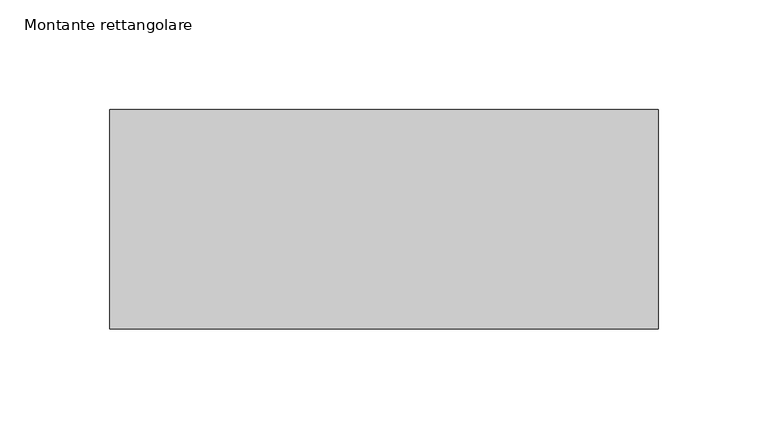
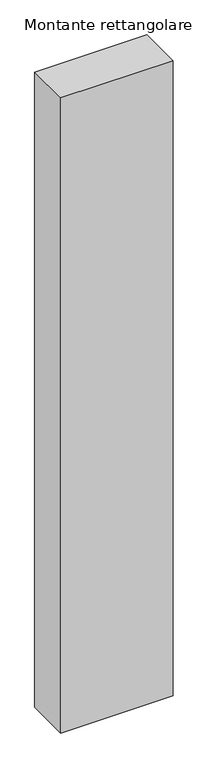
"""IFC4 building model written with IfcOpenShell, lengths in millimetres: member geometry, Montante rettangolare."""

import ifcopenshell
import ifcopenshell.guid

model = None  # the IFC model being written
_history = None  # IfcOwnerHistory: only IFC2X3 demands one
_inside = {}  # id of a spatial element -> (the spatial element, [elements in it])
_under = {}  # id of a project, library or spatial element -> (it, [spatial elements below it])
_declared = {}  # id of a project -> (the project, [libraries it declares])
_typed = {}  # id of a type object -> (the type object, [elements of that type])
_made_of = {}  # id of a material, layer set ... -> (it, [elements and type objects made of it])


def new_model(schema):
    """Start an empty IFC model of exactly this schema.

    Asked for "IFC4X3", IfcOpenShell would pick the latest addendum, in which some entities
    have other attributes; the version numbers below select the first issue.
    IFC2X3 requires an IfcOwnerHistory on every rooted entity: one is made here for all.
    """
    global model, _history
    if schema == "IFC4X3":
        model = ifcopenshell.file(schema_version=(4, 3, 0, 0))
    else:
        model = ifcopenshell.file(schema=schema)
    _inside.clear()
    _under.clear()
    _declared.clear()
    _typed.clear()
    _made_of.clear()
    _history = None
    if model.schema == "IFC2X3":
        org = make("IfcOrganization", Name="unknown")
        user = make(
            "IfcPersonAndOrganization",
            ThePerson=make("IfcPerson", FamilyName="unknown"),
            TheOrganization=org,
        )
        app = make(
            "IfcApplication",
            ApplicationDeveloper=org,
            Version="unknown",
            ApplicationFullName="unknown",
            ApplicationIdentifier="unknown",
        )
        _history = make(
            "IfcOwnerHistory",
            OwningUser=user,
            OwningApplication=app,
            ChangeAction="ADDED",
            CreationDate=0,
        )
    return model


def make(cls, **values):
    """One entity of the class cls with the attributes given. An attribute that is None is left unset."""
    return model.create_entity(
        cls, **{name: value for name, value in values.items() if value is not None}
    )


def rooted(cls, **values):
    """An entity with a GlobalId (a new one), such as an element, a storey or a relation."""
    return make(cls, GlobalId=ifcopenshell.guid.new(), OwnerHistory=_history, **values)


def si_unit(unit_type, name, prefix=None):
    """IfcSIUnit, for example si_unit("LENGTHUNIT", "METRE", prefix="MILLI")."""
    return make("IfcSIUnit", UnitType=unit_type, Prefix=prefix, Name=name)


def assignment(units):
    """IfcUnitAssignment: the units of a project."""
    return None if units is None else make("IfcUnitAssignment", Units=units)


def point(xyz):
    """IfcCartesianPoint."""
    return None if xyz is None else make("IfcCartesianPoint", Coordinates=xyz)


def direction(xyz):
    """IfcDirection."""
    return None if xyz is None else make("IfcDirection", DirectionRatios=xyz)


def frame(location, z_axis=None, x_axis=None):
    """IfcAxis2Placement3D, a coordinate frame: its origin and axes. An axis left out is left unset."""
    return make(
        "IfcAxis2Placement3D",
        Location=point(location),
        Axis=direction(z_axis),
        RefDirection=direction(x_axis),
    )


def origin():
    """The frame at (0, 0, 0) with its axes left unset."""
    return frame((0.0, 0.0, 0.0))


def place(relative_to, where):
    """IfcLocalPlacement: puts the frame where relative to a parent placement (None: the world)."""
    return make(
        "IfcLocalPlacement", PlacementRelTo=relative_to, RelativePlacement=where
    )


def context(
    kind, dimensions, precision=None, world=None, true_north=None, identifier=None
):
    """IfcGeometricRepresentationContext, for example the 3D "Model" context."""
    return make(
        "IfcGeometricRepresentationContext",
        ContextIdentifier=identifier,
        ContextType=kind,
        CoordinateSpaceDimension=dimensions,
        Precision=precision,
        WorldCoordinateSystem=world,
        TrueNorth=true_north,
    )


def project(units=None, contexts=None):
    """IfcProject with its units and contexts."""
    return rooted(
        "IfcProject",
        Name="project",
        RepresentationContexts=contexts,
        UnitsInContext=assignment(units),
    )


def spatial(cls, under=None, at=None, **own):
    """A site, building, storey or space (cls), placed at a placement, below another one or the project."""
    s = rooted(cls, ObjectPlacement=at, **own)
    if under is not None:
        _under.setdefault(under.id(), (under, []))[1].append(s)
    return s


def polyline(points):
    """IfcPolyline through the points."""
    return make("IfcPolyline", Points=[point(p) for p in points])


def outline(outer, holes=None, kind="AREA"):
    """IfcArbitraryClosedProfileDef: a profile drawn as a closed curve; with holes, ...WithVoids."""
    if holes is None:
        return make("IfcArbitraryClosedProfileDef", ProfileType=kind, OuterCurve=outer)
    return make(
        "IfcArbitraryProfileDefWithVoids",
        ProfileType=kind,
        OuterCurve=outer,
        InnerCurves=holes,
    )


def extrude(swept, where, along, depth):
    """IfcExtrudedAreaSolid: the profile swept, set in the frame where, extruded along a direction by depth."""
    return make(
        "IfcExtrudedAreaSolid",
        SweptArea=swept,
        Position=where,
        ExtrudedDirection=direction(along),
        Depth=depth,
    )


def shape(context_of_items, identifier, shape_type, items):
    """IfcShapeRepresentation: the items that make up one representation, for example the "Body"."""
    return make(
        "IfcShapeRepresentation",
        ContextOfItems=context_of_items,
        RepresentationIdentifier=identifier,
        RepresentationType=shape_type,
        Items=items,
    )


def source(mapping_origin, context_of_items, identifier, shape_type, items):
    """IfcRepresentationMap: a shape defined once, which mapped items show again and again."""
    return make(
        "IfcRepresentationMap",
        MappingOrigin=mapping_origin,
        MappedRepresentation=shape(context_of_items, identifier, shape_type, items),
    )


def transform(
    local_origin,
    x_axis=None,
    y_axis=None,
    z_axis=None,
    scale=None,
    scale2=None,
    scale3=None,
    uniform=True,
):
    """IfcCartesianTransformationOperator3D, or its non-uniform kind. x_axis, y_axis, z_axis: its Axis1, 2, 3."""
    if uniform:
        return make(
            "IfcCartesianTransformationOperator3D",
            Axis1=direction(x_axis),
            Axis2=direction(y_axis),
            LocalOrigin=point(local_origin),
            Scale=scale,
            Axis3=direction(z_axis),
        )
    return make(
        "IfcCartesianTransformationOperator3DnonUniform",
        Axis1=direction(x_axis),
        Axis2=direction(y_axis),
        LocalOrigin=point(local_origin),
        Scale=scale,
        Axis3=direction(z_axis),
        Scale2=scale2,
        Scale3=scale3,
    )


def mapped(mapping_source, mapping_target):
    """IfcMappedItem: shows the shape of a source again, moved by a transform."""
    return make(
        "IfcMappedItem", MappingSource=mapping_source, MappingTarget=mapping_target
    )


def made_of(thing, what):
    """Note that an element or type object is made of a material, layer set ...; save() writes the relation."""
    if what is not None:
        _made_of.setdefault(what.id(), (what, []))[1].append(thing)
    return thing


def element(
    cls,
    number,
    at=None,
    inside=None,
    cuts=None,
    type_object=None,
    material=None,
    context=None,
    identifier="Body",
    shape_type=None,
    held_by="IfcProductDefinitionShape",
    body=None,
    shapes=None,
    **own,
):
    """One element of the class cls, such as IfcWall. Its Tag is "e" and its number.

    at: its placement. inside: the storey or other place that contains it. cuts: it is an
    opening in that element (IfcRelVoidsElement). A single representation is given by context,
    identifier, shape_type and body (its items); several are given by shapes. held_by: the class
    of the entity that holds the representations. save() writes the other relations.
    """
    e = rooted(cls, Tag="e%d" % number, ObjectPlacement=at, **own)
    if body is not None:
        shapes = [shape(context, identifier, shape_type, body)]
    if shapes is not None:
        e.Representation = make(held_by, Representations=shapes)
    if inside is not None:
        _inside.setdefault(inside.id(), (inside, []))[1].append(e)
    if cuts is not None:
        rooted(
            "IfcRelVoidsElement", RelatingBuildingElement=cuts, RelatedOpeningElement=e
        )
    if type_object is not None:
        _typed.setdefault(type_object.id(), (type_object, []))[1].append(e)
    return made_of(e, material)


def aggregate(whole, parts):
    """IfcRelAggregates: a whole, such as a stair, and the parts it consists of."""
    return rooted("IfcRelAggregates", RelatingObject=whole, RelatedObjects=parts)


def save(model, path):
    """Write the relations noted so far, then the file.

    IfcRelAggregates (storeys below a building ...), IfcRelContainedInSpatialStructure (elements
    in a storey), IfcRelDefinesByType, IfcRelAssociatesMaterial and IfcRelDeclares: one each for
    every whole, place, type object, material and project.
    """
    for whole, parts in _under.values():
        aggregate(whole, parts)
    for where, things in _inside.values():
        rooted(
            "IfcRelContainedInSpatialStructure",
            RelatedElements=things,
            RelatingStructure=where,
        )
    for kind, things in _typed.values():
        rooted("IfcRelDefinesByType", RelatedObjects=things, RelatingType=kind)
    for what, things in _made_of.values():
        rooted("IfcRelAssociatesMaterial", RelatedObjects=things, RelatingMaterial=what)
    for by, libraries in _declared.values():
        rooted("IfcRelDeclares", RelatingContext=by, RelatedDefinitions=libraries)
    model.write(path)


def montante_rettangolare_1f11b22d(model_context):
    return source(origin(), model_context, "Body", "SweptSolid", [
        extrude(outline(polyline([(125.0, 50.0), (125.0, -50.0), (-125.0, -50.0), (-125.0, 50.0), (125.0, 50.0)])), frame((0.0, 0.0, -1494.5764037), z_axis=(0.0, 0.0, 1.0), x_axis=(1.0, 0.0, 0.0)), (0.0, 0.0, 1.0), 1494.5764037),
    ])


if __name__ == "__main__":
    model = new_model("IFC4")
    model_context = context("Model", 3, world=origin())
    ifc_project = project(units=[si_unit("LENGTHUNIT", "METRE", prefix="MILLI")], contexts=[model_context])
    site = spatial("IfcSite", under=ifc_project)
    building = spatial("IfcBuilding", under=site)
    placement = place(None, origin())
    montante_rettangolare_shape = montante_rettangolare_1f11b22d(model_context)
    element("IfcMember", 1, ObjectType="Montante rettangolare", at=placement, inside=building, context=model_context, shape_type="MappedRepresentation", body=[
        mapped(montante_rettangolare_shape, transform((0.0, 0.0, 0.0), x_axis=(1.0, 0.0, 0.0), y_axis=(0.0, 1.0, 0.0), z_axis=(0.0, 0.0, 1.0))),
    ])
    save(model, "model.ifc")
